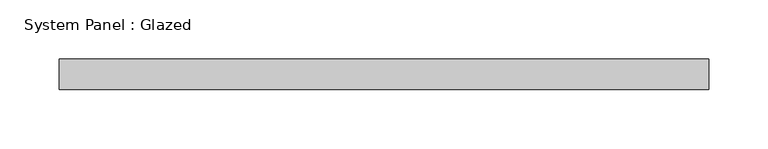
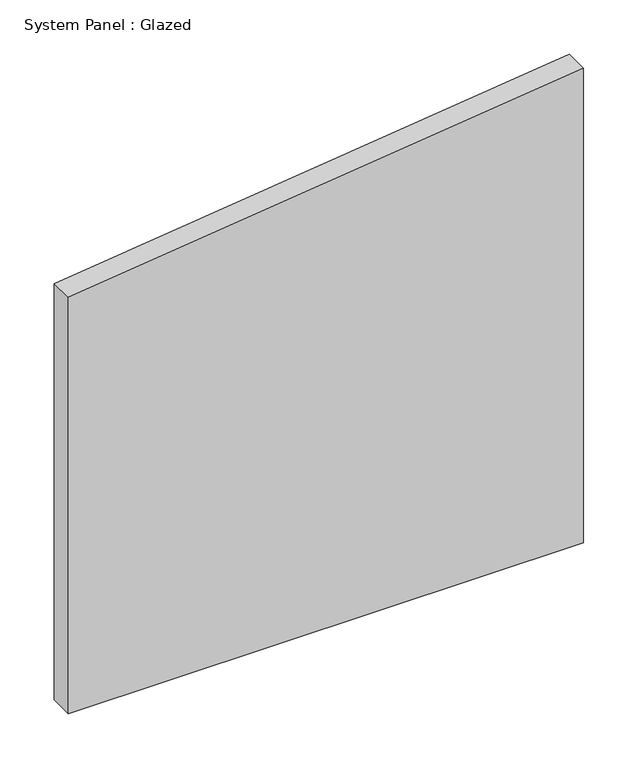
"""IFC4 building model written with IfcOpenShell, lengths in millimetres: plate geometry, System Panel : Glazed."""

from ifc_helpers import new_model, si_unit, frame, origin, place, context, project, spatial, polyline, outline, extrude, source, transform, mapped, element, save


def system_panel_glazed_c8af8ea4(model_context):
    return source(origin(), model_context, "Body", "SweptSolid", [
        extrude(outline(polyline([(0.0, -273.05), (0.0, 273.05), (531.9223942, 273.05), (466.3928456, -273.05), (0.0, -273.05)])), frame((0.0, 19.05, 0.0), z_axis=(0.0, 1.0, 0.0), x_axis=(0.0, 0.0, 1.0)), (0.0, 0.0, 1.0), 25.4),
    ])


if __name__ == "__main__":
    model = new_model("IFC4")
    model_context = context("Model", 3, world=origin())
    ifc_project = project(units=[si_unit("LENGTHUNIT", "METRE", prefix="MILLI")], contexts=[model_context])
    site = spatial("IfcSite", under=ifc_project)
    building = spatial("IfcBuilding", under=site)
    placement = place(None, origin())
    system_panel_glazed_shape = system_panel_glazed_c8af8ea4(model_context)
    element("IfcPlate", 1, ObjectType="System Panel : Glazed", at=placement, inside=building, context=model_context, shape_type="MappedRepresentation", body=[
        mapped(system_panel_glazed_shape, transform((0.0, 0.0, 0.0), x_axis=(1.0, 0.0, 0.0), y_axis=(0.0, 1.0, 0.0), z_axis=(0.0, 0.0, 1.0))),
    ])
    save(model, "model.ifc")
